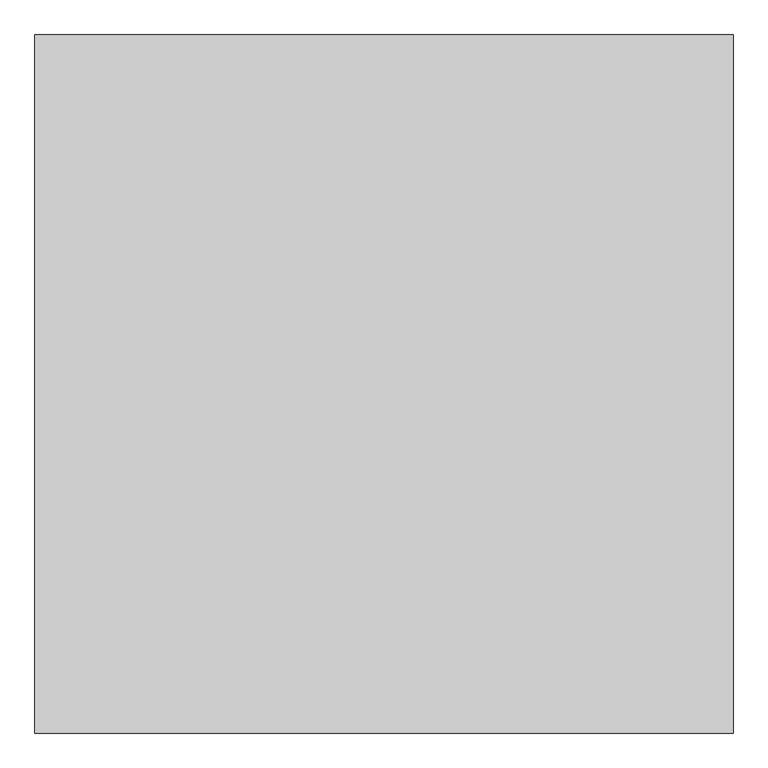
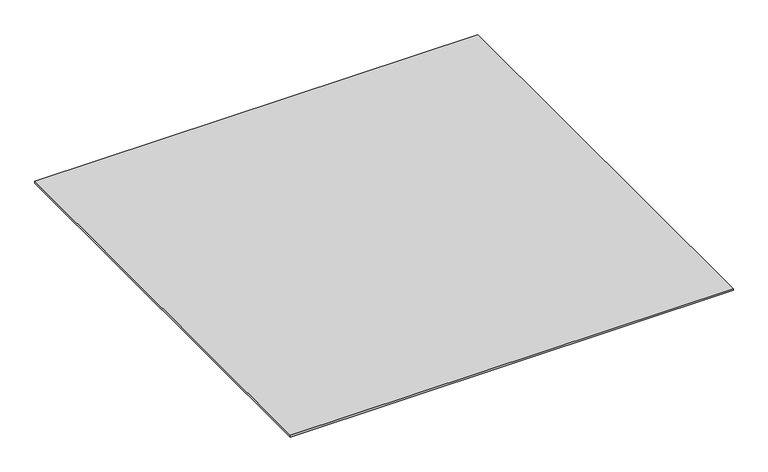
"""IFC4 building model written with IfcOpenShell, lengths in millimetres: proxy geometry."""

from ifc_helpers import new_model, si_unit, origin, origin_with_axes, place, context, project, spatial, polyline, outline, extrude, source, transform, mapped, element, save


def generic_models_c489aa66(model_context):
    return source(origin(), model_context, "Body", "SweptSolid", [
        extrude(outline(polyline([(-5796.9237868, -32987.355679), (-5796.9237868, -33987.355679), (-6796.9237868, -33987.355679), (-6796.9237868, -32987.355679), (-5796.9237868, -32987.355679)])), origin_with_axes(), (0.0, 0.0, 1.0), 4.0),
    ])


if __name__ == "__main__":
    model = new_model("IFC4")
    model_context = context("Model", 3, world=origin())
    ifc_project = project(units=[si_unit("LENGTHUNIT", "METRE", prefix="MILLI")], contexts=[model_context])
    site = spatial("IfcSite", under=ifc_project)
    building = spatial("IfcBuilding", under=site)
    placement = place(None, origin())
    generic_models_shape = generic_models_c489aa66(model_context)
    element("IfcBuildingElementProxy", 1, Name="Generic Models", at=placement, inside=building, context=model_context, shape_type="MappedRepresentation", body=[
        mapped(generic_models_shape, transform((0.0, 0.0, 0.0), x_axis=(1.0, 0.0, 0.0), y_axis=(0.0, 1.0, 0.0), z_axis=(0.0, 0.0, 1.0))),
    ])
    save(model, "model.ifc")
